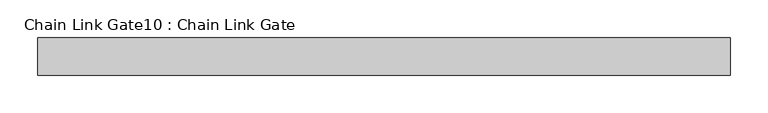
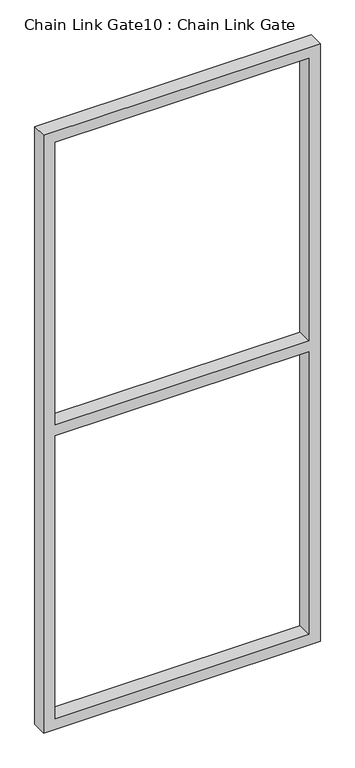
"""IFC4 building model written with IfcOpenShell, lengths in millimetres: proxy geometry, Chain Link Gate10 : Chain Link Gate."""

from ifc_helpers import new_model, si_unit, frame, origin, place, context, project, spatial, polyline, outline, extrude, source, transform, mapped, element, save


def chain_link_gate10_chain_link_gate_83a71f8f(model_context):
    return source(origin(), model_context, "Body", "SweptSolid", [
        extrude(outline(polyline([(2120.9, -19385.3368371), (12.7, -19385.3368371), (12.7, -18461.4118371), (2120.9, -18461.4118371), (2120.9, -19385.3368371)]), holes=[polyline([(2082.8, -19347.2368371), (2082.8, -18499.5118371), (1085.85, -18499.5118371), (1085.85, -19347.2368371), (2082.8, -19347.2368371)]), polyline([(1047.75, -18499.5118371), (50.8, -18499.5118371), (50.8, -19347.2368371), (1047.75, -19347.2368371), (1047.75, -18499.5118371)])]), frame((0.0, 726.8706482, 0.0), z_axis=(0.0, 1.0, 0.0), x_axis=(0.0, 0.0, 1.0)), (0.0, 0.0, 1.0), 50.1314753),
    ])


if __name__ == "__main__":
    model = new_model("IFC4")
    model_context = context("Model", 3, world=origin())
    ifc_project = project(units=[si_unit("LENGTHUNIT", "METRE", prefix="MILLI")], contexts=[model_context])
    site = spatial("IfcSite", under=ifc_project)
    building = spatial("IfcBuilding", under=site)
    placement = place(None, origin())
    chain_link_gate10_chain_link_gate_shape = chain_link_gate10_chain_link_gate_83a71f8f(model_context)
    element("IfcBuildingElementProxy", 1, Name="Chain Link Gate10 : Chain Link Gate", ObjectType="Chain Link Gate10 : Chain Link Gate", at=placement, inside=building, context=model_context, shape_type="MappedRepresentation", body=[
        mapped(chain_link_gate10_chain_link_gate_shape, transform((0.0, 0.0, 0.0), x_axis=(1.0, 0.0, 0.0), y_axis=(0.0, 1.0, 0.0), z_axis=(0.0, 0.0, 1.0))),
    ])
    save(model, "model.ifc")
